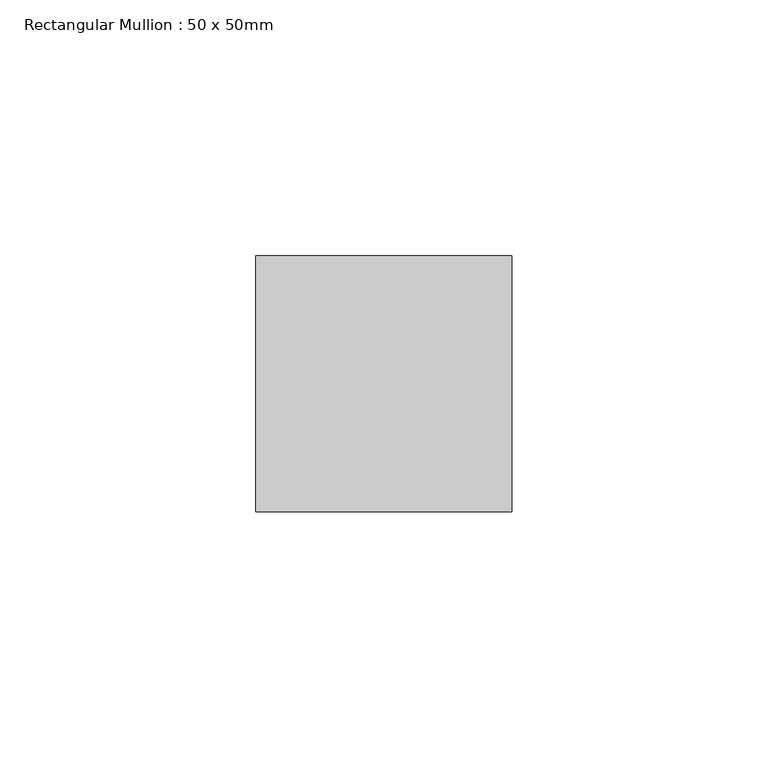
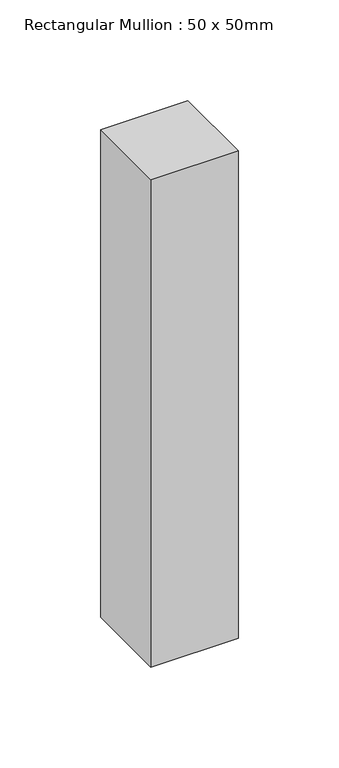
"""IFC4 building model written with IfcOpenShell, lengths in millimetres: member geometry, Rectangular Mullion : 50 x 50mm."""

from ifc_helpers import new_model, si_unit, frame, origin, place, context, project, spatial, polyline, outline, extrude, source, transform, mapped, element, save


def rectangular_mullion_50_x_50mm_102a90cd(model_context):
    return source(origin(), model_context, "Body", "SweptSolid", [
        extrude(outline(polyline([(0.0, 50.0), (0.0, 0.0), (-50.0, 0.0), (-50.0, 50.0), (0.0, 50.0)])), frame((0.0, 0.0, -295.8153903), z_axis=(0.0, 0.0, 1.0), x_axis=(1.0, 0.0, 0.0)), (0.0, 0.0, 1.0), 295.8153903),
    ])


if __name__ == "__main__":
    model = new_model("IFC4")
    model_context = context("Model", 3, world=origin())
    ifc_project = project(units=[si_unit("LENGTHUNIT", "METRE", prefix="MILLI")], contexts=[model_context])
    site = spatial("IfcSite", under=ifc_project)
    building = spatial("IfcBuilding", under=site)
    placement = place(None, origin())
    rectangular_mullion_50_x_50mm_shape = rectangular_mullion_50_x_50mm_102a90cd(model_context)
    element("IfcMember", 1, ObjectType="Rectangular Mullion : 50 x 50mm", at=placement, inside=building, context=model_context, shape_type="MappedRepresentation", body=[
        mapped(rectangular_mullion_50_x_50mm_shape, transform((0.0, 0.0, 0.0), x_axis=(1.0, 0.0, 0.0), y_axis=(0.0, 1.0, 0.0), z_axis=(0.0, 0.0, 1.0))),
    ])
    save(model, "model.ifc")
